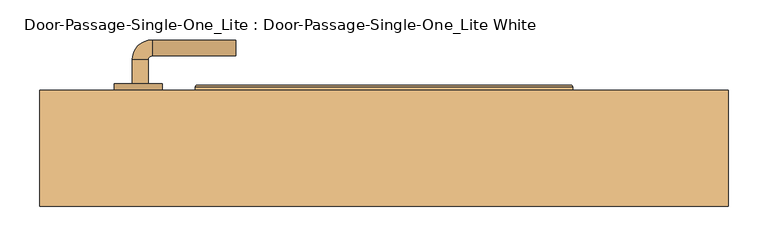
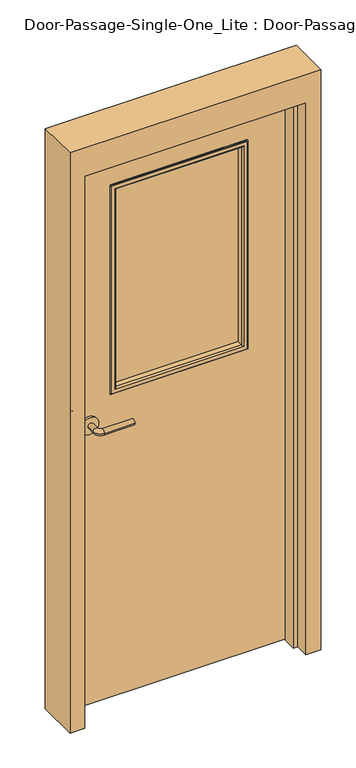
"""IFC4 building model written with IfcOpenShell, lengths in millimetres: door geometry, Door-Passage-Single-One_Lite : Door-Passage-Single-One_Lite White."""

from ifc_helpers import new_model, si_unit, point, frame, frame_2d, origin, place, context, project, spatial, polyline, circle_curve, ellipse_curve, trimmed, segment, composite_curve, outline, extrude, faceted_brep, source, transform, mapped, element, save
from ifc_brep_helpers import plane_surface, cylinder_surface, revolved_surface, advanced_brep


def door_passage_single_one_lite_door_passage_single_one_lite_894c3782(model_context):
    return source(origin(), model_context, "Body", "SolidModel", [
        advanced_brep(
        [(-315.990625, 23.75, 1016.0), (-295.990625, 23.75, 1016.0), (-295.990625, -6.25, 1016.0), (-315.990625, -6.25, 1016.0), (-290.990625, -11.25, 1016.0), (-290.990625, -31.25, 1016.0), (-185.990625, -31.25, 1016.0), (-185.990625, -11.25, 1016.0)],
        [
            (0, 1, circle_curve(frame((-305.990625, 23.75, 1016.0), z_axis=(0.0, 1.0, 0.0), x_axis=(1.0, 0.0, 0.0)), 10.0)),
            (1, 0, circle_curve(frame((-305.990625, 23.75, 1016.0), z_axis=(0.0, 1.0, 0.0), x_axis=(1.0, 0.0, 0.0)), 10.0)),
            (1, 2),
            (2, 3, circle_curve(frame((-305.990625, -6.25, 1016.0), z_axis=(0.0, 1.0, 0.0), x_axis=(1.0, 0.0, 0.0)), 10.0)),
            (3, 0),
            (3, 2, circle_curve(frame((-305.990625, -6.25, 1016.0), z_axis=(0.0, 1.0, 0.0), x_axis=(1.0, 0.0, 0.0)), 10.0)),
            (4, 5, circle_curve(frame((-290.990625, -21.25, 1016.0), z_axis=(-1.0, 0.0, 0.0), x_axis=(0.0, 1.0, 0.0)), 10.0)),
            (5, 3, circle_curve(frame((-290.990625, -6.25, 1016.0), z_axis=(0.0, 0.0, -1.0), x_axis=(-1.0, 0.0, 0.0)), 25.0)),
            (2, 4, circle_curve(frame((-290.990625, -6.25, 1016.0), z_axis=(0.0, 0.0, 1.0), x_axis=(-1.0, 0.0, 0.0)), 5.0)),
            (5, 4, circle_curve(frame((-290.990625, -21.25, 1016.0), z_axis=(-1.0, 0.0, 0.0), x_axis=(0.0, 1.0, 0.0)), 10.0)),
            (6, 7, circle_curve(frame((-185.990625, -21.25, 1016.0), z_axis=(1.0, 0.0, 0.0), x_axis=(0.0, 1.0, 0.0)), 10.0)),
            (7, 6, circle_curve(frame((-185.990625, -21.25, 1016.0), z_axis=(1.0, 0.0, 0.0), x_axis=(0.0, 1.0, 0.0)), 10.0)),
            (4, 7),
            (6, 5),
        ],
        [
            plane_surface(frame((-305.990625, 23.75, 1016.0), z_axis=(0.0, 1.0, 0.0), x_axis=(0.0, 0.0, 1.0))),
            cylinder_surface(frame((-305.990625, 23.75, 1016.0), z_axis=(0.0, 1.0, 0.0), x_axis=(1.0, 0.0, 0.0)), 10.0),
            revolved_surface(trimmed(ellipse_curve(frame((-305.990625, -6.25, 1016.0), z_axis=(0.0, -1.0, 0.0), x_axis=(1.0, 0.0, 0.0)), 10.0, 10.0), [point((-315.990625, -6.25, 1016.0))], [point((-295.990625, -6.25, 1016.0))], True, "CARTESIAN"), (-290.990625, -6.25, 1016.0), (0.0, 0.0, -1.0)),
            revolved_surface(trimmed(ellipse_curve(frame((-305.990625, -6.25, 1016.0), z_axis=(0.0, -1.0, 0.0), x_axis=(1.0, 0.0, 0.0)), 10.0, 10.0), [point((-295.990625, -6.25, 1016.0))], [point((-315.990625, -6.25, 1016.0))], True, "CARTESIAN"), (-290.990625, -6.25, 1016.0), (0.0, 0.0, -1.0)),
            plane_surface(frame((-185.990625, -21.25, 1016.0), z_axis=(1.0, 0.0, 0.0), x_axis=(0.0, 0.0, 1.0))),
            cylinder_surface(frame((-290.990625, -21.25, 1016.0), z_axis=(-1.0, 0.0, 0.0), x_axis=(0.0, 1.0, 0.0)), 10.0),
        ],
        [
            (0, [[1, 2]]),
            (1, [[3, 4, 5, -2]]),
            (1, [[-5, 6, -3, -1]]),
            (2, [[7, 8, -4, 9]]),
            (3, [[10, -9, -6, -8]]),
            (4, [[11, 12]]),
            (5, [[13, -11, 14, -7]]),
            (5, [[-14, -12, -13, -10]]),
        ],
    ),
        extrude(outline(composite_curve([segment(trimmed(circle_curve(frame_2d((1016.0, -308.490625)), 30.0), [point((1016.0, -338.490625))], [point((1016.0, -278.490625))], False, "CARTESIAN"), True, "CONTINUOUS"), segment(trimmed(circle_curve(frame_2d((1016.0, -308.490625)), 30.0), [point((1016.0, -278.490625))], [point((1016.0, -338.490625))], False, "CARTESIAN"), True, "CONTINUOUS")], self_intersect=False)), frame((0.0, 23.75, 0.0), z_axis=(0.0, 1.0, 0.0), x_axis=(0.0, 0.0, 1.0)), (0.0, 0.0, 1.0), 8.0),
        advanced_brep(
        [(-315.990625, 84.2, 1016.0), (-295.990625, 84.2, 1016.0), (-315.990625, 114.2, 1016.0), (-295.990625, 114.2, 1016.0), (-290.990625, 119.2, 1016.0), (-290.990625, 139.2, 1016.0), (-185.990625, 139.2, 1016.0), (-185.990625, 119.2, 1016.0)],
        [
            (0, 1, circle_curve(frame((-305.990625, 84.2, 1016.0), z_axis=(0.0, -1.0, 0.0), x_axis=(1.0, 0.0, 0.0)), 10.0)),
            (1, 0, circle_curve(frame((-305.990625, 84.2, 1016.0), z_axis=(0.0, -1.0, 0.0), x_axis=(1.0, 0.0, 0.0)), 10.0)),
            (0, 2),
            (2, 3, circle_curve(frame((-305.990625, 114.2, 1016.0), z_axis=(0.0, -1.0, 0.0), x_axis=(1.0, 0.0, 0.0)), 10.0)),
            (3, 1),
            (3, 2, circle_curve(frame((-305.990625, 114.2, 1016.0), z_axis=(0.0, -1.0, 0.0), x_axis=(1.0, 0.0, 0.0)), 10.0)),
            (4, 3, circle_curve(frame((-290.990625, 114.2, 1016.0), z_axis=(0.0, 0.0, 1.0), x_axis=(-1.0, 0.0, 0.0)), 5.0)),
            (2, 5, circle_curve(frame((-290.990625, 114.2, 1016.0), z_axis=(0.0, 0.0, -1.0), x_axis=(-1.0, 0.0, 0.0)), 25.0)),
            (5, 4, circle_curve(frame((-290.990625, 129.2, 1016.0), z_axis=(-1.0, 0.0, 0.0), x_axis=(0.0, -1.0, 0.0)), 10.0)),
            (4, 5, circle_curve(frame((-290.990625, 129.2, 1016.0), z_axis=(-1.0, 0.0, 0.0), x_axis=(0.0, -1.0, 0.0)), 10.0)),
            (6, 7, circle_curve(frame((-185.990625, 129.2, 1016.0), z_axis=(1.0, 0.0, 0.0), x_axis=(0.0, -1.0, 0.0)), 10.0)),
            (7, 6, circle_curve(frame((-185.990625, 129.2, 1016.0), z_axis=(1.0, 0.0, 0.0), x_axis=(0.0, -1.0, 0.0)), 10.0)),
            (5, 6),
            (7, 4),
        ],
        [
            plane_surface(frame((-305.990625, 84.2, 1016.0), z_axis=(0.0, -1.0, 0.0), x_axis=(0.0, 0.0, 1.0))),
            cylinder_surface(frame((-305.990625, 84.2, 1016.0), z_axis=(0.0, -1.0, 0.0), x_axis=(1.0, 0.0, 0.0)), 10.0),
            revolved_surface(trimmed(ellipse_curve(frame((-305.990625, 114.2, 1016.0), z_axis=(0.0, -1.0, 0.0), x_axis=(1.0, 0.0, 0.0)), 10.0, 10.0), [point((-315.990625, 114.2, 1016.0))], [point((-295.990625, 114.2, 1016.0))], True, "CARTESIAN"), (-290.990625, 114.2, 1016.0), (0.0, 0.0, -1.0)),
            revolved_surface(trimmed(ellipse_curve(frame((-305.990625, 114.2, 1016.0), z_axis=(0.0, -1.0, 0.0), x_axis=(1.0, 0.0, 0.0)), 10.0, 10.0), [point((-295.990625, 114.2, 1016.0))], [point((-315.990625, 114.2, 1016.0))], True, "CARTESIAN"), (-290.990625, 114.2, 1016.0), (0.0, 0.0, -1.0)),
            plane_surface(frame((-185.990625, 129.2, 1016.0), z_axis=(1.0, 0.0, 0.0), x_axis=(0.0, 0.0, 1.0))),
            cylinder_surface(frame((-290.990625, 129.2, 1016.0), z_axis=(-1.0, 0.0, 0.0), x_axis=(0.0, -1.0, 0.0)), 10.0),
        ],
        [
            (0, [[1, 2]]),
            (1, [[-1, 3, 4, 5]]),
            (1, [[-2, -5, 6, -3]]),
            (2, [[7, -4, 8, 9]]),
            (3, [[-8, -6, -7, 10]]),
            (4, [[11, 12]]),
            (5, [[-9, 13, -12, 14]]),
            (5, [[-10, -14, -11, -13]]),
        ],
    ),
        extrude(outline(composite_curve([segment(trimmed(circle_curve(frame_2d((1016.0, -308.490625)), 30.0), [point((1016.0, -338.490625))], [point((1016.0, -278.490625))], False, "CARTESIAN"), True, "CONTINUOUS"), segment(trimmed(circle_curve(frame_2d((1016.0, -308.490625)), 30.0), [point((1016.0, -278.490625))], [point((1016.0, -338.490625))], False, "CARTESIAN"), True, "CONTINUOUS")], self_intersect=False)), frame((0.0, 76.2, 0.0), z_axis=(0.0, 1.0, 0.0), x_axis=(0.0, 0.0, 1.0)), (0.0, 0.0, 1.0), 8.0),
        faceted_brep([(381.0, 26.9875, 0.0), (381.0, 76.2, 0.0), (431.8, 76.2, 0.0), (431.8, -69.85, 0.0), (381.0, -69.85, 0.0), (381.0, -20.6375, 0.0), (365.125, -20.6375, 0.0), (365.125, 26.9875, 0.0), (381.0, 26.9875, 2006.6), (381.0, 76.2, 2006.6), (-381.0, 76.2, 2006.6), (-381.0, 76.2, 0.0), (-431.8, 76.2, 0.0), (-431.8, 76.2, 2108.2), (431.8, 76.2, 2108.2), (431.8, -69.85, 2108.2), (-431.8, -69.85, 2108.2), (-431.8, -69.85, 0.0), (-381.0, -69.85, 0.0), (-381.0, -69.85, 2006.6), (381.0, -69.85, 2006.6), (381.0, -20.6375, 2006.6), (-381.0, -20.6375, 2006.6), (-381.0, -20.6375, 0.0), (-365.125, -20.6375, 0.0), (-365.125, -20.6375, 1990.725), (365.125, -20.6375, 1990.725), (365.125, 26.9875, 1990.725), (-365.125, 26.9875, 1990.725), (-365.125, 26.9875, 0.0), (-381.0, 26.9875, 0.0), (-381.0, 26.9875, 2006.6)], [[[0, 1, 2, 3, 4, 5, 6, 7]], [[1, 0, 8, 9]], [[2, 1, 9, 10, 11, 12, 13, 14]], [[3, 2, 14, 15]], [[4, 3, 15, 16, 17, 18, 19, 20]], [[5, 4, 20, 21]], [[6, 5, 21, 22, 23, 24, 25, 26]], [[7, 6, 26, 27]], [[0, 7, 27, 28, 29, 30, 31, 8]], [[9, 8, 31, 10]], [[20, 19, 22, 21]], [[26, 25, 28, 27]], [[12, 11, 30, 29, 24, 23, 18, 17]], [[11, 10, 31, 30]], [[13, 12, 17, 16]], [[19, 18, 23, 22]], [[25, 24, 29, 28]], [[15, 14, 13, 16]]]),
        extrude(outline(polyline([(2006.6, -381.0), (0.0, -381.0), (0.0, 381.0), (2006.6, 381.0), (2006.6, -381.0)]), holes=[polyline([(1854.2, -228.6), (1854.2, 228.6), (1111.25, 228.6), (1111.25, -228.6), (1854.2, -228.6)])]), frame((0.0, 31.75, 0.0), z_axis=(0.0, 1.0, 0.0), x_axis=(0.0, 0.0, 1.0)), (0.0, 0.0, 1.0), 44.45),
        extrude(outline(polyline([(228.6, 50.8), (-228.6, 50.8), (-228.6, 57.15), (228.6, 57.15), (228.6, 50.8)])), frame((0.0, 0.0, 1111.25), z_axis=(0.0, 0.0, 1.0), x_axis=(1.0, 0.0, 0.0)), (0.0, 0.0, 1.0), 742.95),
        advanced_brep(
        [(-228.6, 50.8, 1111.25), (-228.6, 31.75, 1111.25), (-228.6, 31.75, 1854.2), (-228.6, 50.8, 1854.2), (-216.6, 30.75, 1123.25), (-216.6, 50.8, 1123.25), (-216.6, 50.8, 1842.2), (-216.6, 30.75, 1842.2), (-221.6, 25.75, 1118.25), (-221.6, 25.75, 1847.2), (-236.6, 27.75, 1103.25), (-234.6, 25.75, 1105.25), (-234.6, 25.75, 1860.2), (-236.6, 27.75, 1862.2), (-236.6, 31.75, 1103.25), (-236.6, 31.75, 1862.2), (228.6, 31.75, 1854.2), (228.6, 50.8, 1854.2), (216.6, 50.8, 1842.2), (216.6, 30.75, 1842.2), (221.6, 25.75, 1847.2), (234.6, 25.75, 1860.2), (236.6, 27.75, 1862.2), (236.6, 31.75, 1862.2), (228.6, 31.75, 1111.25), (228.6, 50.8, 1111.25), (216.6, 50.8, 1123.25), (216.6, 30.75, 1123.25), (221.6, 25.75, 1118.25), (234.6, 25.75, 1105.25), (236.6, 27.75, 1103.25), (236.6, 31.75, 1103.25)],
        [
            (0, 1),
            (1, 2),
            (2, 3),
            (3, 0),
            (4, 5),
            (5, 6),
            (6, 7),
            (7, 4),
            (8, 4, ellipse_curve(frame((-221.6, 30.75, 1118.25), z_axis=(-0.7071067811865475, 0.0, 0.7071067811865475), x_axis=(-0.7071067811865474, 0.0, -0.7071067811865476)), 7.0710678, 5.0)),
            (7, 9, ellipse_curve(frame((-221.6, 30.75, 1847.2), z_axis=(-0.7071067811865475, 0.0, -0.7071067811865475), x_axis=(0.7071067811865474, 0.0, -0.7071067811865476)), 7.0710678, 5.0)),
            (9, 8),
            (10, 11, ellipse_curve(frame((-234.6, 27.75, 1105.25), z_axis=(-0.7071067811865475, 0.0, 0.7071067811865475), x_axis=(-0.7071067811865474, 0.0, -0.7071067811865476)), 2.8284271, 2.0)),
            (11, 12),
            (12, 13, ellipse_curve(frame((-234.6, 27.75, 1860.2), z_axis=(-0.7071067811865475, 0.0, -0.7071067811865475), x_axis=(0.7071067811865474, 0.0, -0.7071067811865476)), 2.8284271, 2.0)),
            (13, 10),
            (14, 10),
            (13, 15),
            (15, 14),
            (2, 16),
            (16, 17),
            (17, 3),
            (6, 18),
            (18, 19),
            (19, 7),
            (19, 20, ellipse_curve(frame((221.6, 30.75, 1847.2), z_axis=(-0.7071067811865475, 0.0, 0.7071067811865475), x_axis=(-0.7071067811865476, 0.0, -0.7071067811865474)), 7.0710678, 5.0)),
            (20, 9),
            (12, 21),
            (21, 22, ellipse_curve(frame((234.6, 27.75, 1860.2), z_axis=(-0.7071067811865475, 0.0, 0.7071067811865475), x_axis=(-0.7071067811865476, 0.0, -0.7071067811865474)), 2.8284271, 2.0)),
            (22, 13),
            (22, 23),
            (23, 15),
            (16, 24),
            (24, 25),
            (25, 17),
            (18, 26),
            (26, 27),
            (27, 19),
            (27, 28, ellipse_curve(frame((221.6, 30.75, 1118.25), z_axis=(0.7071067811865475, 0.0, 0.7071067811865475), x_axis=(-0.7071067811865474, 0.0, 0.7071067811865476)), 7.0710678, 5.0)),
            (28, 20),
            (21, 29),
            (29, 30, ellipse_curve(frame((234.6, 27.75, 1105.25), z_axis=(0.7071067811865475, 0.0, 0.7071067811865475), x_axis=(-0.7071067811865474, 0.0, 0.7071067811865476)), 2.8284271, 2.0)),
            (30, 22),
            (30, 31),
            (31, 23),
            (31, 14),
            (1, 24),
            (0, 25),
            (5, 26),
            (4, 27),
            (8, 28),
            (11, 29),
            (10, 30),
        ],
        [
            plane_surface(frame((-228.6, 31.75, 1111.25), z_axis=(-1.0, 0.0, 0.0), x_axis=(0.0, 0.0, 1.0))),
            plane_surface(frame((-216.6, 50.8, 1123.25), z_axis=(1.0, 0.0, 0.0), x_axis=(0.0, 0.0, 1.0))),
            cylinder_surface(frame((-221.6, 30.75, 1111.25), z_axis=(0.0, 0.0, -1.0), x_axis=(-1.0, 0.0, 0.0)), 5.0),
            cylinder_surface(frame((-234.6, 27.75, 1111.25), z_axis=(0.0, 0.0, -1.0), x_axis=(-1.0, 0.0, 0.0)), 2.0),
            plane_surface(frame((-236.6, 27.75, 1103.25), z_axis=(-1.0, 0.0, 0.0), x_axis=(0.0, 0.0, 1.0))),
            plane_surface(frame((-228.6, 31.75, 1854.2), z_axis=(0.0, 0.0, 1.0), x_axis=(1.0, 0.0, 0.0))),
            plane_surface(frame((-216.6, 50.8, 1842.2), z_axis=(0.0, 0.0, -1.0), x_axis=(1.0, 0.0, 0.0))),
            cylinder_surface(frame((-228.6, 30.75, 1847.2), z_axis=(-1.0, 0.0, 0.0), x_axis=(0.0, 0.0, 1.0)), 5.0),
            cylinder_surface(frame((-228.6, 27.75, 1860.2), z_axis=(-1.0, 0.0, 0.0), x_axis=(0.0, 0.0, 1.0)), 2.0),
            plane_surface(frame((-236.6, 27.75, 1862.2), z_axis=(0.0, 0.0, 1.0), x_axis=(1.0, 0.0, 0.0))),
            plane_surface(frame((228.6, 31.75, 1854.2), z_axis=(1.0, 0.0, 0.0), x_axis=(0.0, 0.0, -1.0))),
            plane_surface(frame((216.6, 50.8, 1842.2), z_axis=(-1.0, 0.0, 0.0), x_axis=(0.0, 0.0, -1.0))),
            cylinder_surface(frame((221.6, 30.75, 1854.2), z_axis=(0.0, 0.0, 1.0), x_axis=(1.0, 0.0, 0.0)), 5.0),
            cylinder_surface(frame((234.6, 27.75, 1854.2), z_axis=(0.0, 0.0, 1.0), x_axis=(1.0, 0.0, 0.0)), 2.0),
            plane_surface(frame((236.6, 27.75, 1862.2), z_axis=(1.0, 0.0, 0.0), x_axis=(0.0, 0.0, -1.0))),
            plane_surface(frame((236.6, 31.75, 1103.25), z_axis=(0.0, 1.0, 0.0), x_axis=(-1.0, 0.0, 0.0))),
            plane_surface(frame((228.6, 31.75, 1111.25), z_axis=(0.0, 0.0, -1.0), x_axis=(-1.0, 0.0, 0.0))),
            plane_surface(frame((228.6, 50.8, 1111.25), z_axis=(0.0, 1.0, 0.0), x_axis=(-1.0, 0.0, 0.0))),
            plane_surface(frame((216.6, 50.8, 1123.25), z_axis=(0.0, 0.0, 1.0), x_axis=(-1.0, 0.0, 0.0))),
            cylinder_surface(frame((228.6, 30.75, 1118.25), z_axis=(1.0, 0.0, 0.0), x_axis=(0.0, 0.0, -1.0)), 5.0),
            plane_surface(frame((221.6, 25.75, 1118.25), z_axis=(0.0, -1.0, 0.0), x_axis=(-1.0, 0.0, 0.0))),
            cylinder_surface(frame((228.6, 27.75, 1105.25), z_axis=(1.0, 0.0, 0.0), x_axis=(0.0, 0.0, -1.0)), 2.0),
            plane_surface(frame((236.6, 27.75, 1103.25), z_axis=(0.0, 0.0, -1.0), x_axis=(-1.0, 0.0, 0.0))),
        ],
        [
            (0, [[1, 2, 3, 4]]),
            (1, [[5, 6, 7, 8]]),
            (2, [[9, -8, 10, 11]]),
            (3, [[12, 13, 14, 15]]),
            (4, [[16, -15, 17, 18]]),
            (5, [[-3, 19, 20, 21]]),
            (6, [[-7, 22, 23, 24]]),
            (7, [[-10, -24, 25, 26]]),
            (8, [[-14, 27, 28, 29]]),
            (9, [[-17, -29, 30, 31]]),
            (10, [[-20, 32, 33, 34]]),
            (11, [[-23, 35, 36, 37]]),
            (12, [[-25, -37, 38, 39]]),
            (13, [[-28, 40, 41, 42]]),
            (14, [[-30, -42, 43, 44]]),
            (15, [[-31, -44, 45, -18], [46, -32, -19, -2]]),
            (16, [[-33, -46, -1, 47]]),
            (17, [[-21, -34, -47, -4], [48, -35, -22, -6]]),
            (18, [[-36, -48, -5, 49]]),
            (19, [[-38, -49, -9, 50]]),
            (20, [[51, -40, -27, -13], [-26, -39, -50, -11]]),
            (21, [[-41, -51, -12, 52]]),
            (22, [[-43, -52, -16, -45]]),
        ],
    ),
        advanced_brep(
        [(-228.6, 57.15, 1854.2), (-228.6, 76.2, 1854.2), (-228.6, 76.2, 1111.25), (-228.6, 57.15, 1111.25), (-216.6, 77.2, 1842.2), (-216.6, 57.15, 1842.2), (-216.6, 57.15, 1123.25), (-216.6, 77.2, 1123.25), (-221.6, 82.2, 1847.2), (-221.6, 82.2, 1118.25), (-236.6, 80.2, 1862.2), (-234.6, 82.2, 1860.2), (-234.6, 82.2, 1105.25), (-236.6, 80.2, 1103.25), (-236.6, 76.2, 1862.2), (-236.6, 76.2, 1103.25), (228.6, 76.2, 1111.25), (228.6, 57.15, 1111.25), (216.6, 57.15, 1123.25), (216.6, 77.2, 1123.25), (221.6, 82.2, 1118.25), (234.6, 82.2, 1105.25), (236.6, 80.2, 1103.25), (236.6, 76.2, 1103.25), (228.6, 76.2, 1854.2), (228.6, 57.15, 1854.2), (216.6, 57.15, 1842.2), (216.6, 77.2, 1842.2), (221.6, 82.2, 1847.2), (234.6, 82.2, 1860.2), (236.6, 80.2, 1862.2), (236.6, 76.2, 1862.2)],
        [
            (0, 1),
            (1, 2),
            (2, 3),
            (3, 0),
            (4, 5),
            (5, 6),
            (6, 7),
            (7, 4),
            (8, 4, ellipse_curve(frame((-221.6, 77.2, 1847.2), z_axis=(-0.7071067811865475, 0.0, -0.7071067811865475), x_axis=(-0.7071067811865474, 0.0, 0.7071067811865476)), 7.0710678, 5.0)),
            (7, 9, ellipse_curve(frame((-221.6, 77.2, 1118.25), z_axis=(-0.7071067811865475, 0.0, 0.7071067811865475), x_axis=(0.7071067811865474, 0.0, 0.7071067811865476)), 7.0710678, 5.0)),
            (9, 8),
            (10, 11, ellipse_curve(frame((-234.6, 80.2, 1860.2), z_axis=(-0.7071067811865475, 0.0, -0.7071067811865475), x_axis=(-0.7071067811865474, 0.0, 0.7071067811865476)), 2.8284271, 2.0)),
            (11, 12),
            (12, 13, ellipse_curve(frame((-234.6, 80.2, 1105.25), z_axis=(-0.7071067811865475, 0.0, 0.7071067811865475), x_axis=(0.7071067811865474, 0.0, 0.7071067811865476)), 2.8284271, 2.0)),
            (13, 10),
            (14, 10),
            (13, 15),
            (15, 14),
            (2, 16),
            (16, 17),
            (17, 3),
            (6, 18),
            (18, 19),
            (19, 7),
            (19, 20, ellipse_curve(frame((221.6, 77.2, 1118.25), z_axis=(-0.7071067811865475, 0.0, -0.7071067811865475), x_axis=(-0.7071067811865476, 0.0, 0.7071067811865474)), 7.0710678, 5.0)),
            (20, 9),
            (12, 21),
            (21, 22, ellipse_curve(frame((234.6, 80.2, 1105.25), z_axis=(-0.7071067811865475, 0.0, -0.7071067811865475), x_axis=(-0.7071067811865476, 0.0, 0.7071067811865474)), 2.8284271, 2.0)),
            (22, 13),
            (22, 23),
            (23, 15),
            (16, 24),
            (24, 25),
            (25, 17),
            (18, 26),
            (26, 27),
            (27, 19),
            (27, 28, ellipse_curve(frame((221.6, 77.2, 1847.2), z_axis=(0.7071067811865475, 0.0, -0.7071067811865475), x_axis=(-0.7071067811865474, 0.0, -0.7071067811865476)), 7.0710678, 5.0)),
            (28, 20),
            (21, 29),
            (29, 30, ellipse_curve(frame((234.6, 80.2, 1860.2), z_axis=(0.7071067811865475, 0.0, -0.7071067811865475), x_axis=(-0.7071067811865474, 0.0, -0.7071067811865476)), 2.8284271, 2.0)),
            (30, 22),
            (30, 31),
            (31, 23),
            (31, 14),
            (1, 24),
            (0, 25),
            (5, 26),
            (4, 27),
            (8, 28),
            (11, 29),
            (10, 30),
        ],
        [
            plane_surface(frame((-228.6, 76.2, 1854.2), z_axis=(-1.0, 0.0, 0.0), x_axis=(0.0, 0.0, -1.0))),
            plane_surface(frame((-216.6, 57.15, 1842.2), z_axis=(1.0, 0.0, 0.0), x_axis=(0.0, 0.0, -1.0))),
            cylinder_surface(frame((-221.6, 77.2, 1854.2), z_axis=(0.0, 0.0, 1.0), x_axis=(-1.0, 0.0, 0.0)), 5.0),
            cylinder_surface(frame((-234.6, 80.2, 1854.2), z_axis=(0.0, 0.0, 1.0), x_axis=(-1.0, 0.0, 0.0)), 2.0),
            plane_surface(frame((-236.6, 80.2, 1862.2), z_axis=(-1.0, 0.0, 0.0), x_axis=(0.0, 0.0, -1.0))),
            plane_surface(frame((-228.6, 76.2, 1111.25), z_axis=(0.0, 0.0, -1.0), x_axis=(1.0, 0.0, 0.0))),
            plane_surface(frame((-216.6, 57.15, 1123.25), z_axis=(0.0, 0.0, 1.0), x_axis=(1.0, 0.0, 0.0))),
            cylinder_surface(frame((-228.6, 77.2, 1118.25), z_axis=(-1.0, 0.0, 0.0), x_axis=(0.0, 0.0, -1.0)), 5.0),
            cylinder_surface(frame((-228.6, 80.2, 1105.25), z_axis=(-1.0, 0.0, 0.0), x_axis=(0.0, 0.0, -1.0)), 2.0),
            plane_surface(frame((-236.6, 80.2, 1103.25), z_axis=(0.0, 0.0, -1.0), x_axis=(1.0, 0.0, 0.0))),
            plane_surface(frame((228.6, 76.2, 1111.25), z_axis=(1.0, 0.0, 0.0), x_axis=(0.0, 0.0, 1.0))),
            plane_surface(frame((216.6, 57.15, 1123.25), z_axis=(-1.0, 0.0, 0.0), x_axis=(0.0, 0.0, 1.0))),
            cylinder_surface(frame((221.6, 77.2, 1111.25), z_axis=(0.0, 0.0, -1.0), x_axis=(1.0, 0.0, 0.0)), 5.0),
            cylinder_surface(frame((234.6, 80.2, 1111.25), z_axis=(0.0, 0.0, -1.0), x_axis=(1.0, 0.0, 0.0)), 2.0),
            plane_surface(frame((236.6, 80.2, 1103.25), z_axis=(1.0, 0.0, 0.0), x_axis=(0.0, 0.0, 1.0))),
            plane_surface(frame((236.6, 76.2, 1862.2), z_axis=(0.0, -1.0, 0.0), x_axis=(-1.0, 0.0, 0.0))),
            plane_surface(frame((228.6, 76.2, 1854.2), z_axis=(0.0, 0.0, 1.0), x_axis=(-1.0, 0.0, 0.0))),
            plane_surface(frame((228.6, 57.15, 1854.2), z_axis=(0.0, -1.0, 0.0), x_axis=(-1.0, 0.0, 0.0))),
            plane_surface(frame((216.6, 57.15, 1842.2), z_axis=(0.0, 0.0, -1.0), x_axis=(-1.0, 0.0, 0.0))),
            cylinder_surface(frame((228.6, 77.2, 1847.2), z_axis=(1.0, 0.0, 0.0), x_axis=(0.0, 0.0, 1.0)), 5.0),
            plane_surface(frame((221.6, 82.2, 1847.2), z_axis=(0.0, 1.0, 0.0), x_axis=(-1.0, 0.0, 0.0))),
            cylinder_surface(frame((228.6, 80.2, 1860.2), z_axis=(1.0, 0.0, 0.0), x_axis=(0.0, 0.0, 1.0)), 2.0),
            plane_surface(frame((236.6, 80.2, 1862.2), z_axis=(0.0, 0.0, 1.0), x_axis=(-1.0, 0.0, 0.0))),
        ],
        [
            (0, [[1, 2, 3, 4]]),
            (1, [[5, 6, 7, 8]]),
            (2, [[9, -8, 10, 11]]),
            (3, [[12, 13, 14, 15]]),
            (4, [[16, -15, 17, 18]]),
            (5, [[-3, 19, 20, 21]]),
            (6, [[-7, 22, 23, 24]]),
            (7, [[-10, -24, 25, 26]]),
            (8, [[-14, 27, 28, 29]]),
            (9, [[-17, -29, 30, 31]]),
            (10, [[-20, 32, 33, 34]]),
            (11, [[-23, 35, 36, 37]]),
            (12, [[-25, -37, 38, 39]]),
            (13, [[-28, 40, 41, 42]]),
            (14, [[-30, -42, 43, 44]]),
            (15, [[-31, -44, 45, -18], [46, -32, -19, -2]]),
            (16, [[-33, -46, -1, 47]]),
            (17, [[-21, -34, -47, -4], [48, -35, -22, -6]]),
            (18, [[-36, -48, -5, 49]]),
            (19, [[-38, -49, -9, 50]]),
            (20, [[51, -40, -27, -13], [-26, -39, -50, -11]]),
            (21, [[-41, -51, -12, 52]]),
            (22, [[-43, -52, -16, -45]]),
        ],
    ),
    ])


if __name__ == "__main__":
    model = new_model("IFC4")
    model_context = context("Model", 3, world=origin())
    ifc_project = project(units=[si_unit("LENGTHUNIT", "METRE", prefix="MILLI")], contexts=[model_context])
    site = spatial("IfcSite", under=ifc_project)
    building = spatial("IfcBuilding", under=site)
    placement = place(None, origin())
    door_passage_single_one_lite_door_passage_single_one_lite_shape = door_passage_single_one_lite_door_passage_single_one_lite_894c3782(model_context)
    element("IfcDoor", 1, ObjectType="Door-Passage-Single-One_Lite : Door-Passage-Single-One_Lite White", at=placement, inside=building, context=model_context, shape_type="MappedRepresentation", body=[
        mapped(door_passage_single_one_lite_door_passage_single_one_lite_shape, transform((0.0, 0.0, 0.0), x_axis=(1.0, 0.0, 0.0), y_axis=(0.0, 1.0, 0.0), z_axis=(0.0, 0.0, 1.0))),
    ])
    save(model, "model.ifc")
